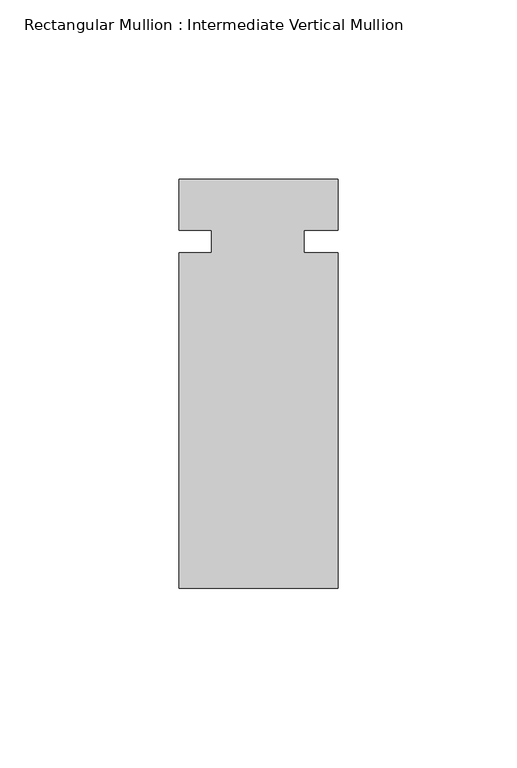
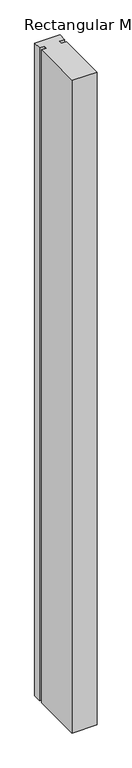
"""IFC4 building model written with IfcOpenShell, lengths in millimetres: member geometry, Rectangular Mullion : Intermediate Vertical Mullion."""

import ifcopenshell
import ifcopenshell.guid

model = None  # the IFC model being written
_history = None  # IfcOwnerHistory: only IFC2X3 demands one
_inside = {}  # id of a spatial element -> (the spatial element, [elements in it])
_under = {}  # id of a project, library or spatial element -> (it, [spatial elements below it])
_declared = {}  # id of a project -> (the project, [libraries it declares])
_typed = {}  # id of a type object -> (the type object, [elements of that type])
_made_of = {}  # id of a material, layer set ... -> (it, [elements and type objects made of it])


def new_model(schema):
    """Start an empty IFC model of exactly this schema.

    Asked for "IFC4X3", IfcOpenShell would pick the latest addendum, in which some entities
    have other attributes; the version numbers below select the first issue.
    IFC2X3 requires an IfcOwnerHistory on every rooted entity: one is made here for all.
    """
    global model, _history
    if schema == "IFC4X3":
        model = ifcopenshell.file(schema_version=(4, 3, 0, 0))
    else:
        model = ifcopenshell.file(schema=schema)
    _inside.clear()
    _under.clear()
    _declared.clear()
    _typed.clear()
    _made_of.clear()
    _history = None
    if model.schema == "IFC2X3":
        org = make("IfcOrganization", Name="unknown")
        user = make(
            "IfcPersonAndOrganization",
            ThePerson=make("IfcPerson", FamilyName="unknown"),
            TheOrganization=org,
        )
        app = make(
            "IfcApplication",
            ApplicationDeveloper=org,
            Version="unknown",
            ApplicationFullName="unknown",
            ApplicationIdentifier="unknown",
        )
        _history = make(
            "IfcOwnerHistory",
            OwningUser=user,
            OwningApplication=app,
            ChangeAction="ADDED",
            CreationDate=0,
        )
    return model


def make(cls, **values):
    """One entity of the class cls with the attributes given. An attribute that is None is left unset."""
    return model.create_entity(
        cls, **{name: value for name, value in values.items() if value is not None}
    )


def rooted(cls, **values):
    """An entity with a GlobalId (a new one), such as an element, a storey or a relation."""
    return make(cls, GlobalId=ifcopenshell.guid.new(), OwnerHistory=_history, **values)


def si_unit(unit_type, name, prefix=None):
    """IfcSIUnit, for example si_unit("LENGTHUNIT", "METRE", prefix="MILLI")."""
    return make("IfcSIUnit", UnitType=unit_type, Prefix=prefix, Name=name)


def assignment(units):
    """IfcUnitAssignment: the units of a project."""
    return None if units is None else make("IfcUnitAssignment", Units=units)


def point(xyz):
    """IfcCartesianPoint."""
    return None if xyz is None else make("IfcCartesianPoint", Coordinates=xyz)


def direction(xyz):
    """IfcDirection."""
    return None if xyz is None else make("IfcDirection", DirectionRatios=xyz)


def frame(location, z_axis=None, x_axis=None):
    """IfcAxis2Placement3D, a coordinate frame: its origin and axes. An axis left out is left unset."""
    return make(
        "IfcAxis2Placement3D",
        Location=point(location),
        Axis=direction(z_axis),
        RefDirection=direction(x_axis),
    )


def origin():
    """The frame at (0, 0, 0) with its axes left unset."""
    return frame((0.0, 0.0, 0.0))


def place(relative_to, where):
    """IfcLocalPlacement: puts the frame where relative to a parent placement (None: the world)."""
    return make(
        "IfcLocalPlacement", PlacementRelTo=relative_to, RelativePlacement=where
    )


def context(
    kind, dimensions, precision=None, world=None, true_north=None, identifier=None
):
    """IfcGeometricRepresentationContext, for example the 3D "Model" context."""
    return make(
        "IfcGeometricRepresentationContext",
        ContextIdentifier=identifier,
        ContextType=kind,
        CoordinateSpaceDimension=dimensions,
        Precision=precision,
        WorldCoordinateSystem=world,
        TrueNorth=true_north,
    )


def project(units=None, contexts=None):
    """IfcProject with its units and contexts."""
    return rooted(
        "IfcProject",
        Name="project",
        RepresentationContexts=contexts,
        UnitsInContext=assignment(units),
    )


def spatial(cls, under=None, at=None, **own):
    """A site, building, storey or space (cls), placed at a placement, below another one or the project."""
    s = rooted(cls, ObjectPlacement=at, **own)
    if under is not None:
        _under.setdefault(under.id(), (under, []))[1].append(s)
    return s


def polyline(points):
    """IfcPolyline through the points."""
    return make("IfcPolyline", Points=[point(p) for p in points])


def outline(outer, holes=None, kind="AREA"):
    """IfcArbitraryClosedProfileDef: a profile drawn as a closed curve; with holes, ...WithVoids."""
    if holes is None:
        return make("IfcArbitraryClosedProfileDef", ProfileType=kind, OuterCurve=outer)
    return make(
        "IfcArbitraryProfileDefWithVoids",
        ProfileType=kind,
        OuterCurve=outer,
        InnerCurves=holes,
    )


def extrude(swept, where, along, depth):
    """IfcExtrudedAreaSolid: the profile swept, set in the frame where, extruded along a direction by depth."""
    return make(
        "IfcExtrudedAreaSolid",
        SweptArea=swept,
        Position=where,
        ExtrudedDirection=direction(along),
        Depth=depth,
    )


def shape(context_of_items, identifier, shape_type, items):
    """IfcShapeRepresentation: the items that make up one representation, for example the "Body"."""
    return make(
        "IfcShapeRepresentation",
        ContextOfItems=context_of_items,
        RepresentationIdentifier=identifier,
        RepresentationType=shape_type,
        Items=items,
    )


def source(mapping_origin, context_of_items, identifier, shape_type, items):
    """IfcRepresentationMap: a shape defined once, which mapped items show again and again."""
    return make(
        "IfcRepresentationMap",
        MappingOrigin=mapping_origin,
        MappedRepresentation=shape(context_of_items, identifier, shape_type, items),
    )


def transform(
    local_origin,
    x_axis=None,
    y_axis=None,
    z_axis=None,
    scale=None,
    scale2=None,
    scale3=None,
    uniform=True,
):
    """IfcCartesianTransformationOperator3D, or its non-uniform kind. x_axis, y_axis, z_axis: its Axis1, 2, 3."""
    if uniform:
        return make(
            "IfcCartesianTransformationOperator3D",
            Axis1=direction(x_axis),
            Axis2=direction(y_axis),
            LocalOrigin=point(local_origin),
            Scale=scale,
            Axis3=direction(z_axis),
        )
    return make(
        "IfcCartesianTransformationOperator3DnonUniform",
        Axis1=direction(x_axis),
        Axis2=direction(y_axis),
        LocalOrigin=point(local_origin),
        Scale=scale,
        Axis3=direction(z_axis),
        Scale2=scale2,
        Scale3=scale3,
    )


def mapped(mapping_source, mapping_target):
    """IfcMappedItem: shows the shape of a source again, moved by a transform."""
    return make(
        "IfcMappedItem", MappingSource=mapping_source, MappingTarget=mapping_target
    )


def made_of(thing, what):
    """Note that an element or type object is made of a material, layer set ...; save() writes the relation."""
    if what is not None:
        _made_of.setdefault(what.id(), (what, []))[1].append(thing)
    return thing


def element(
    cls,
    number,
    at=None,
    inside=None,
    cuts=None,
    type_object=None,
    material=None,
    context=None,
    identifier="Body",
    shape_type=None,
    held_by="IfcProductDefinitionShape",
    body=None,
    shapes=None,
    **own,
):
    """One element of the class cls, such as IfcWall. Its Tag is "e" and its number.

    at: its placement. inside: the storey or other place that contains it. cuts: it is an
    opening in that element (IfcRelVoidsElement). A single representation is given by context,
    identifier, shape_type and body (its items); several are given by shapes. held_by: the class
    of the entity that holds the representations. save() writes the other relations.
    """
    e = rooted(cls, Tag="e%d" % number, ObjectPlacement=at, **own)
    if body is not None:
        shapes = [shape(context, identifier, shape_type, body)]
    if shapes is not None:
        e.Representation = make(held_by, Representations=shapes)
    if inside is not None:
        _inside.setdefault(inside.id(), (inside, []))[1].append(e)
    if cuts is not None:
        rooted(
            "IfcRelVoidsElement", RelatingBuildingElement=cuts, RelatedOpeningElement=e
        )
    if type_object is not None:
        _typed.setdefault(type_object.id(), (type_object, []))[1].append(e)
    return made_of(e, material)


def aggregate(whole, parts):
    """IfcRelAggregates: a whole, such as a stair, and the parts it consists of."""
    return rooted("IfcRelAggregates", RelatingObject=whole, RelatedObjects=parts)


def save(model, path):
    """Write the relations noted so far, then the file.

    IfcRelAggregates (storeys below a building ...), IfcRelContainedInSpatialStructure (elements
    in a storey), IfcRelDefinesByType, IfcRelAssociatesMaterial and IfcRelDeclares: one each for
    every whole, place, type object, material and project.
    """
    for whole, parts in _under.values():
        aggregate(whole, parts)
    for where, things in _inside.values():
        rooted(
            "IfcRelContainedInSpatialStructure",
            RelatedElements=things,
            RelatingStructure=where,
        )
    for kind, things in _typed.values():
        rooted("IfcRelDefinesByType", RelatedObjects=things, RelatingType=kind)
    for what, things in _made_of.values():
        rooted("IfcRelAssociatesMaterial", RelatedObjects=things, RelatingMaterial=what)
    for by, libraries in _declared.values():
        rooted("IfcRelDeclares", RelatingContext=by, RelatedDefinitions=libraries)
    model.write(path)


def rectangular_mullion_intermediate_vertical_mullion_82677e75(model_context):
    return source(origin(), model_context, "Body", "SweptSolid", [
        extrude(outline(polyline([(22.225, -96.8247989), (-22.225, -96.8247989), (-22.225, -3.175), (-13.1064, -3.175), (-13.1064, 3.175), (-22.225, 3.175), (-22.225, 17.4752011), (22.225, 17.4752011), (22.225, 3.1750011), (12.7, 3.1750011), (12.7, -3.1749989), (22.225, -3.1749989), (22.225, -96.8247989)])), frame((0.0, 0.0, -1219.2), z_axis=(0.0, 0.0, 1.0), x_axis=(1.0, 0.0, 0.0)), (0.0, 0.0, 1.0), 1219.2),
    ])


if __name__ == "__main__":
    model = new_model("IFC4")
    model_context = context("Model", 3, world=origin())
    ifc_project = project(units=[si_unit("LENGTHUNIT", "METRE", prefix="MILLI")], contexts=[model_context])
    site = spatial("IfcSite", under=ifc_project)
    building = spatial("IfcBuilding", under=site)
    placement = place(None, origin())
    rectangular_mullion_intermediate_vertical_mullion_shape = rectangular_mullion_intermediate_vertical_mullion_82677e75(model_context)
    element("IfcMember", 1, ObjectType="Rectangular Mullion : Intermediate Vertical Mullion", at=placement, inside=building, context=model_context, shape_type="MappedRepresentation", body=[
        mapped(rectangular_mullion_intermediate_vertical_mullion_shape, transform((0.0, 0.0, 0.0), x_axis=(1.0, 0.0, 0.0), y_axis=(0.0, 1.0, 0.0), z_axis=(0.0, 0.0, 1.0))),
    ])
    save(model, "model.ifc")
